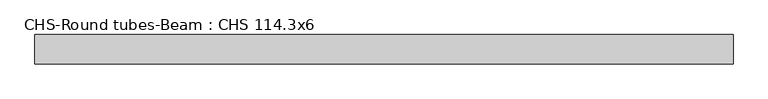
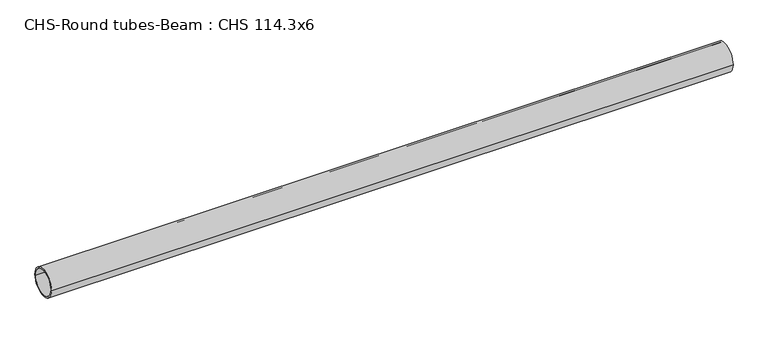
"""IFC4 building model written with IfcOpenShell, lengths in millimetres: beam geometry, CHS-Round tubes-Beam : CHS 114.3x6."""

from ifc_helpers import new_model, si_unit, point, frame, origin, origin_2d, place, context, project, spatial, circle_curve, trimmed, segment, composite_curve, outline, extrude, source, transform, mapped, element, save


def chs_round_tubes_beam_chs_114_3x6_5bdbbcef(model_context):
    return source(origin(), model_context, "Body", "SweptSolid", [
        extrude(outline(composite_curve([segment(trimmed(circle_curve(origin_2d(), 57.15), [point((57.15, 0.0))], [point((-57.15, 0.0))], False, "CARTESIAN"), True, "CONTINUOUS"), segment(trimmed(circle_curve(origin_2d(), 57.15), [point((-57.15, 0.0))], [point((57.15, 0.0))], False, "CARTESIAN"), True, "CONTINUOUS")], self_intersect=False), holes=[composite_curve([segment(trimmed(circle_curve(origin_2d(), 51.15), [point((51.15, 0.0))], [point((-51.15, 0.0))], True, "CARTESIAN"), True, "CONTINUOUS"), segment(trimmed(circle_curve(origin_2d(), 51.15), [point((-51.15, 0.0))], [point((51.15, 0.0))], True, "CARTESIAN"), True, "CONTINUOUS")], self_intersect=False)]), frame((-1301.9437501, 0.0, 0.0), z_axis=(1.0, 0.0, 0.0), x_axis=(0.0, 1.0, 0.0)), (0.0, 0.0, 1.0), 2727.0456296),
    ])


if __name__ == "__main__":
    model = new_model("IFC4")
    model_context = context("Model", 3, world=origin())
    ifc_project = project(units=[si_unit("LENGTHUNIT", "METRE", prefix="MILLI")], contexts=[model_context])
    site = spatial("IfcSite", under=ifc_project)
    building = spatial("IfcBuilding", under=site)
    placement = place(None, origin())
    chs_round_tubes_beam_chs_114_3x6_shape = chs_round_tubes_beam_chs_114_3x6_5bdbbcef(model_context)
    element("IfcBeam", 1, ObjectType="CHS-Round tubes-Beam : CHS 114.3x6", at=placement, inside=building, context=model_context, shape_type="MappedRepresentation", body=[
        mapped(chs_round_tubes_beam_chs_114_3x6_shape, transform((0.0, 0.0, 0.0), x_axis=(1.0, 0.0, 0.0), y_axis=(0.0, 1.0, 0.0), z_axis=(0.0, 0.0, 1.0))),
    ])
    save(model, "model.ifc")
